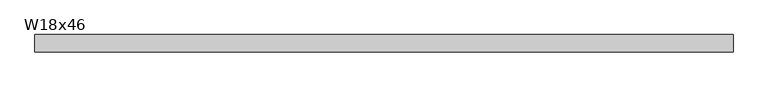
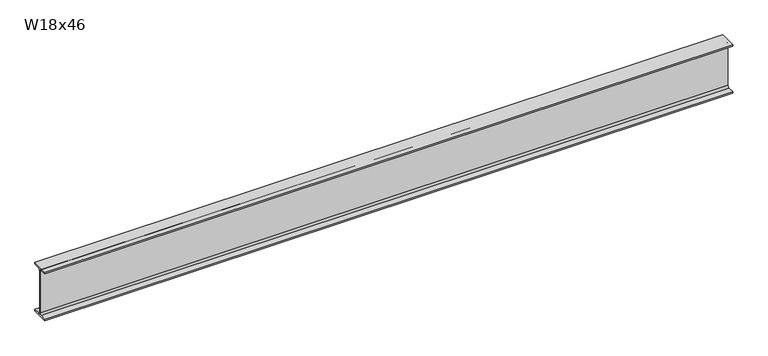
"""IFC4 building model written with IfcOpenShell, lengths in millimetres: beam geometry, W18x46."""

from ifc_helpers import new_model, si_unit, point, frame, frame_2d, origin, place, context, project, spatial, polyline, circle_curve, trimmed, segment, composite_curve, outline, extrude, source, transform, mapped, element, save


def w18x46_39d6a023(model_context):
    return source(origin(), model_context, "Body", "SweptSolid", [
        extrude(outline(composite_curve([segment(polyline([(76.962, -214.503), (76.962, -229.87), (-76.962, -229.87), (-76.962, -214.503), (-20.955, -214.503)]), True, "CONTINUOUS"), segment(trimmed(circle_curve(frame_2d((-20.955, -198.12)), 16.383), [point((-20.955, -214.503))], [point((-4.572, -198.12))], True, "CARTESIAN"), True, "CONTINUOUS"), segment(polyline([(-4.572, -198.12), (-4.572, 198.12)]), True, "CONTINUOUS"), segment(trimmed(circle_curve(frame_2d((-20.955, 198.12)), 16.383), [point((-4.572, 198.12))], [point((-20.955, 214.503))], True, "CARTESIAN"), True, "CONTINUOUS"), segment(polyline([(-20.955, 214.503), (-76.962, 214.503), (-76.962, 229.87), (76.962, 229.87), (76.962, 214.503), (20.955, 214.503)]), True, "CONTINUOUS"), segment(trimmed(circle_curve(frame_2d((20.955, 198.12)), 16.383), [point((20.955, 214.503))], [point((4.572, 198.12))], True, "CARTESIAN"), True, "CONTINUOUS"), segment(polyline([(4.572, 198.12), (4.572, -198.12)]), True, "CONTINUOUS"), segment(trimmed(circle_curve(frame_2d((20.955, -198.12)), 16.383), [point((4.572, -198.12))], [point((20.955, -214.503))], True, "CARTESIAN"), True, "CONTINUOUS"), segment(polyline([(20.955, -214.503), (76.962, -214.503)]), True, "CONTINUOUS")], self_intersect=False)), frame((-3040.7890637, 0.0, 0.0), z_axis=(1.0, 0.0, 0.0), x_axis=(0.0, 1.0, 0.0)), (0.0, 0.0, 1.0), 6172.4252055),
    ])


if __name__ == "__main__":
    model = new_model("IFC4")
    model_context = context("Model", 3, world=origin())
    ifc_project = project(units=[si_unit("LENGTHUNIT", "METRE", prefix="MILLI")], contexts=[model_context])
    site = spatial("IfcSite", under=ifc_project)
    building = spatial("IfcBuilding", under=site)
    placement = place(None, origin())
    w18x46_shape = w18x46_39d6a023(model_context)
    element("IfcBeam", 1, ObjectType="W18x46", at=placement, inside=building, context=model_context, shape_type="MappedRepresentation", body=[
        mapped(w18x46_shape, transform((0.0, 0.0, 0.0), x_axis=(1.0, 0.0, 0.0), y_axis=(0.0, 1.0, 0.0), z_axis=(0.0, 0.0, 1.0))),
    ])
    save(model, "model.ifc")
